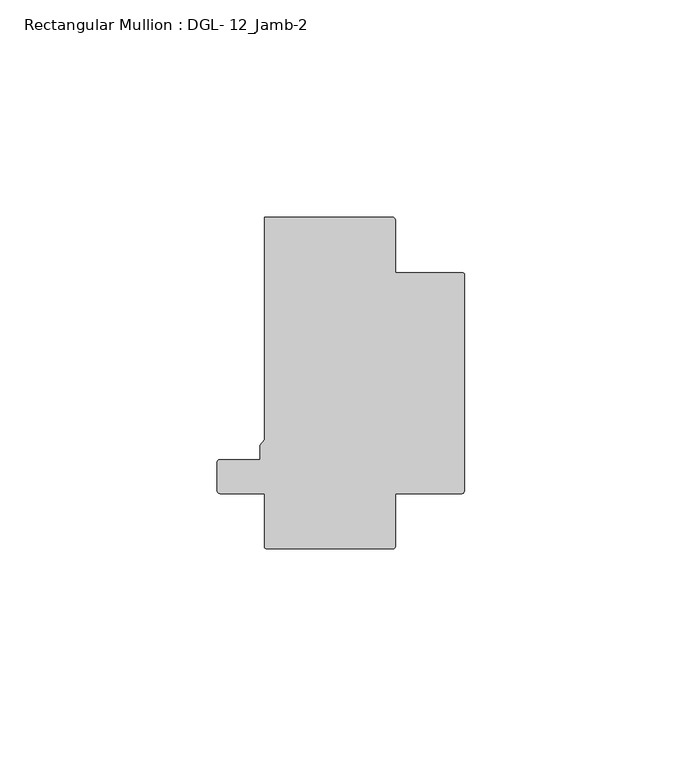
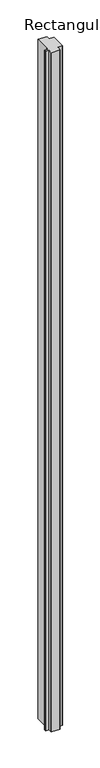
"""IFC4 building model written with IfcOpenShell, lengths in millimetres: member geometry, Rectangular Mullion : DGL- 12_Jamb-2."""

from ifc_helpers import new_model, si_unit, point, frame, frame_2d, origin, place, context, project, spatial, polyline, circle_curve, trimmed, segment, composite_curve, outline, extrude, source, transform, mapped, element, save


def rectangular_mullion_dgl_12_jamb_2_6c9eb452(model_context):
    return source(origin(), model_context, "Body", "SweptSolid", [
        extrude(outline(composite_curve([segment(polyline([(-46.0338833, -25.4), (-56.2690058, -25.4)]), True, "CONTINUOUS"), segment(trimmed(circle_curve(frame_2d((-56.2690058, -24.8046875)), 0.5953125), [point((-56.2690058, -25.4))], [point((-56.8643183, -24.8046875))], False, "CARTESIAN"), True, "CONTINUOUS"), segment(polyline([(-56.8643183, -24.8046875), (-56.8643183, -18.1560373)]), True, "CONTINUOUS"), segment(trimmed(circle_curve(frame_2d((-56.3038063, -18.1560373)), 0.560512), [point((-56.8643183, -18.1560373))], [point((-56.3038063, -17.5955253))], False, "CARTESIAN"), True, "CONTINUOUS"), segment(polyline([(-56.3038063, -17.5955253), (-46.9588014, -17.5955253), (-46.9588014, -14.2467814), (-46.0339676, -12.9738568), (-46.0339676, 38.0996792), (-16.4793976, 38.0996792)]), True, "CONTINUOUS"), segment(trimmed(circle_curve(frame_2d((-16.4793976, 37.5043667)), 0.5953125), [point((-16.4793976, 38.0996792))], [point((-15.8840851, 37.5043667))], False, "CARTESIAN"), True, "CONTINUOUS"), segment(polyline([(-15.8840851, 37.5043667), (-15.8840851, 25.3996632), (-0.499998, 25.3996632)]), True, "CONTINUOUS"), segment(trimmed(circle_curve(frame_2d((-0.499998, 24.8996652)), 0.499998), [point((-0.499998, 25.3996632))], [point((0.0, 24.8996652))], False, "CARTESIAN"), True, "CONTINUOUS"), segment(polyline([(0.0, 24.8996652), (0.0, -24.8050243)]), True, "CONTINUOUS"), segment(trimmed(circle_curve(frame_2d((-0.5953125, -24.8050243)), 0.5953125), [point((0.0, -24.8050243))], [point((-0.5953125, -25.4003368))], False, "CARTESIAN"), True, "CONTINUOUS"), segment(polyline([(-0.5953125, -25.4003368), (-15.8840851, -25.4003368), (-15.8840851, -37.5047035)]), True, "CONTINUOUS"), segment(trimmed(circle_curve(frame_2d((-16.4793976, -37.5047035)), 0.5953125), [point((-15.8840851, -37.5047035))], [point((-16.4793976, -38.100016))], False, "CARTESIAN"), True, "CONTINUOUS"), segment(polyline([(-16.4793976, -38.100016), (-45.4385708, -38.100016)]), True, "CONTINUOUS"), segment(trimmed(circle_curve(frame_2d((-45.4385708, -37.5047035)), 0.5953125), [point((-45.4385708, -38.100016))], [point((-46.0338833, -37.5047035))], False, "CARTESIAN"), True, "CONTINUOUS"), segment(polyline([(-46.0338833, -37.5047035), (-46.0338833, -25.4)]), True, "CONTINUOUS")], self_intersect=False)), frame((0.0, 0.0, -2386.0051878), z_axis=(0.0, 0.0, 1.0), x_axis=(1.0, 0.0, 0.0)), (0.0, 0.0, 1.0), 2386.0051878),
    ])


if __name__ == "__main__":
    model = new_model("IFC4")
    model_context = context("Model", 3, world=origin())
    ifc_project = project(units=[si_unit("LENGTHUNIT", "METRE", prefix="MILLI")], contexts=[model_context])
    site = spatial("IfcSite", under=ifc_project)
    building = spatial("IfcBuilding", under=site)
    placement = place(None, origin())
    rectangular_mullion_dgl_12_jamb_2_shape = rectangular_mullion_dgl_12_jamb_2_6c9eb452(model_context)
    element("IfcMember", 1, ObjectType="Rectangular Mullion : DGL- 12_Jamb-2", at=placement, inside=building, context=model_context, shape_type="MappedRepresentation", body=[
        mapped(rectangular_mullion_dgl_12_jamb_2_shape, transform((0.0, 0.0, 0.0), x_axis=(1.0, 0.0, 0.0), y_axis=(0.0, 1.0, 0.0), z_axis=(0.0, 0.0, 1.0))),
    ])
    save(model, "model.ifc")
